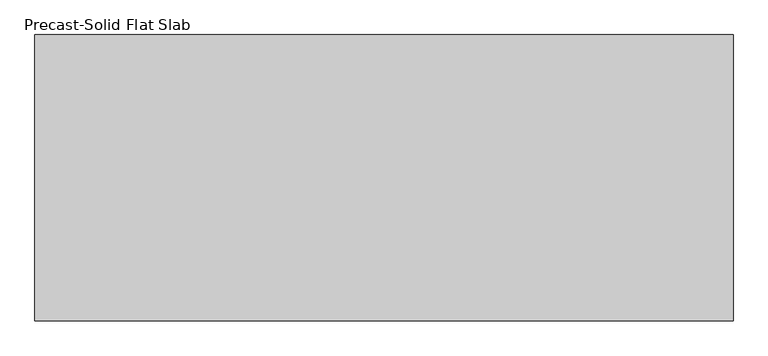
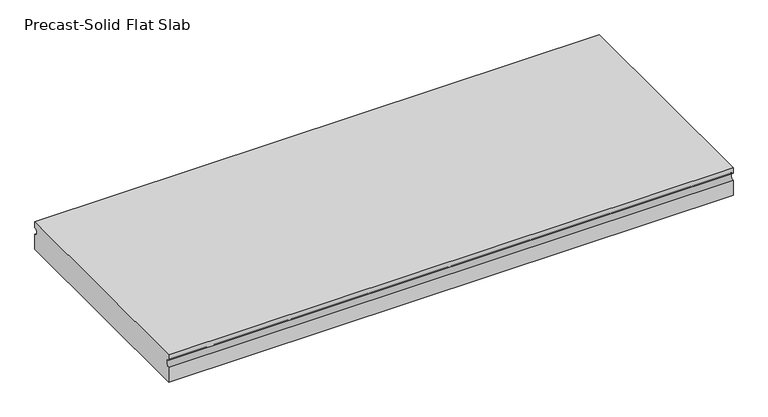
"""IFC4 building model written with IfcOpenShell, lengths in millimetres: beam geometry, Precast-Solid Flat Slab."""

from ifc_helpers import new_model, si_unit, point, frame, frame_2d, origin, place, context, project, spatial, polyline, circle_curve, trimmed, segment, composite_curve, outline, extrude, source, transform, mapped, element, save


def precast_solid_flat_slab_b90d47fd(model_context):
    return source(origin(), model_context, "Body", "SweptSolid", [
        extrude(outline(composite_curve([segment(polyline([(-304.8, 38.1), (304.8, 38.1), (304.8, 22.225)]), True, "CONTINUOUS"), segment(trimmed(circle_curve(frame_2d((304.8, 12.7)), 9.525), [point((304.8, 22.225))], [point((304.8, 3.175))], True, "CARTESIAN"), True, "CONTINUOUS"), segment(polyline([(304.8, 3.175), (304.8, -38.1), (-304.8, -38.1), (-304.8, 3.175)]), True, "CONTINUOUS"), segment(trimmed(circle_curve(frame_2d((-304.8, 12.7)), 9.525), [point((-304.8, 3.175))], [point((-304.8, 22.225))], True, "CARTESIAN"), True, "CONTINUOUS"), segment(polyline([(-304.8, 22.225), (-304.8, 38.1)]), True, "CONTINUOUS")], self_intersect=False)), frame((-743.0988281, 0.0, 0.0), z_axis=(1.0, 0.0, 0.0), x_axis=(0.0, 1.0, 0.0)), (0.0, 0.0, 1.0), 1486.1976562),
    ])


if __name__ == "__main__":
    model = new_model("IFC4")
    model_context = context("Model", 3, world=origin())
    ifc_project = project(units=[si_unit("LENGTHUNIT", "METRE", prefix="MILLI")], contexts=[model_context])
    site = spatial("IfcSite", under=ifc_project)
    building = spatial("IfcBuilding", under=site)
    placement = place(None, origin())
    precast_solid_flat_slab_shape = precast_solid_flat_slab_b90d47fd(model_context)
    element("IfcBeam", 1, ObjectType="Precast-Solid Flat Slab", at=placement, inside=building, context=model_context, shape_type="MappedRepresentation", body=[
        mapped(precast_solid_flat_slab_shape, transform((0.0, 0.0, 0.0), x_axis=(1.0, 0.0, 0.0), y_axis=(0.0, 1.0, 0.0), z_axis=(0.0, 0.0, 1.0))),
    ])
    save(model, "model.ifc")
